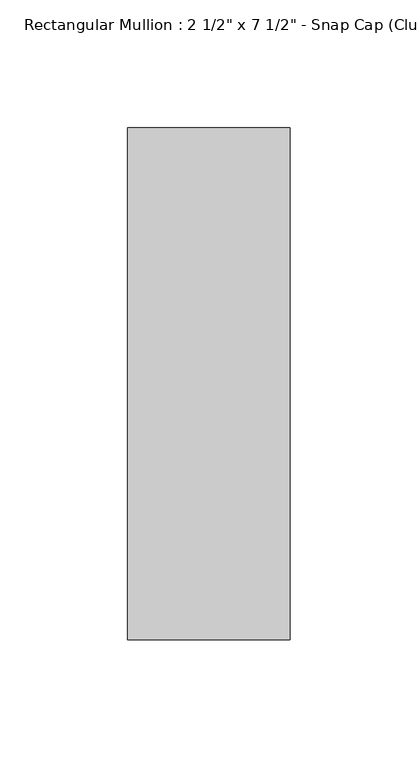
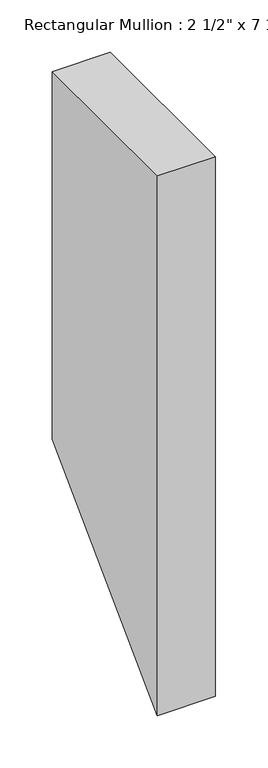
"""IFC4 building model written with IfcOpenShell, lengths in millimetres: member geometry."""

from ifc_helpers import new_model, si_unit, frame, origin, place, context, project, spatial, polyline, outline, extrude, source, transform, mapped, element, save


def member_de4b496f(model_context):
    return source(origin(), model_context, "Body", "SweptSolid", [
        extrude(outline(polyline([(-174.2, 0.0), (25.8, 0.0), (25.8, -427.5651583), (-174.2, -627.5651583), (-174.2, 0.0)])), frame((-63.5, 0.0, 0.0), z_axis=(1.0, 0.0, 0.0), x_axis=(0.0, 1.0, 0.0)), (0.0, 0.0, 1.0), 63.5),
    ])


if __name__ == "__main__":
    model = new_model("IFC4")
    model_context = context("Model", 3, world=origin())
    ifc_project = project(units=[si_unit("LENGTHUNIT", "METRE", prefix="MILLI")], contexts=[model_context])
    site = spatial("IfcSite", under=ifc_project)
    building = spatial("IfcBuilding", under=site)
    placement = place(None, origin())
    member_shape = member_de4b496f(model_context)
    element("IfcMember", 1, ObjectType="Rectangular Mullion : 2 1/2\" x 7 1/2\" - Snap Cap (Club)", at=placement, inside=building, context=model_context, shape_type="MappedRepresentation", body=[
        mapped(member_shape, transform((0.0, 0.0, 0.0), x_axis=(1.0, 0.0, 0.0), y_axis=(0.0, 1.0, 0.0), z_axis=(0.0, 0.0, 1.0))),
    ])
    save(model, "model.ifc")
